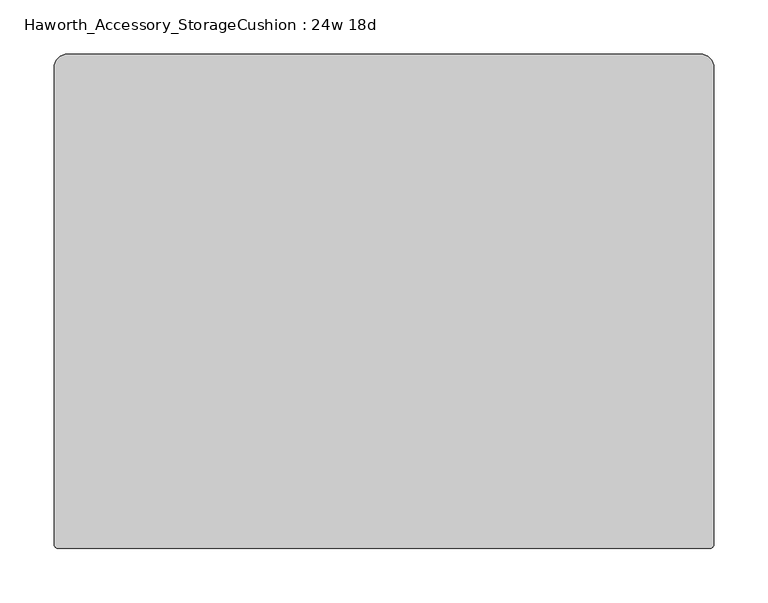
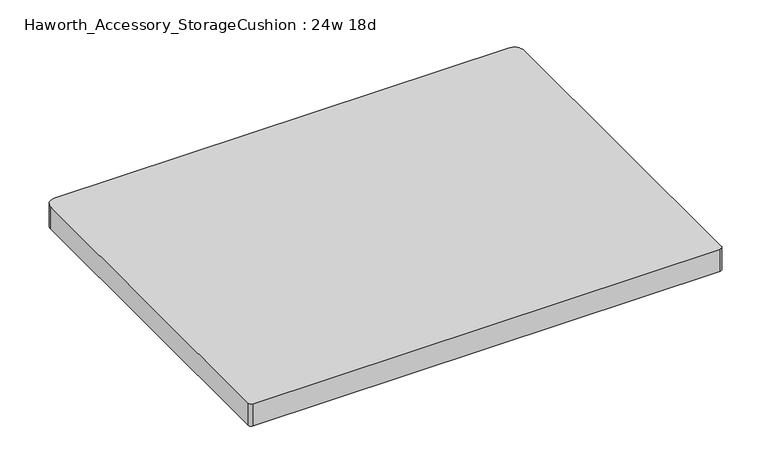
"""IFC4 building model written with IfcOpenShell, lengths in millimetres: furniture geometry, Haworth_Accessory_StorageCushion : 24w 18d."""

from ifc_helpers import new_model, si_unit, point, frame, frame_2d, origin, place, context, project, spatial, polyline, circle_curve, trimmed, segment, composite_curve, outline, extrude, source, transform, mapped, element, save


def haworth_accessory_storagecushion_24w_18d_868b095d(model_context):
    return source(origin(), model_context, "Body", "SweptSolid", [
        extrude(outline(composite_curve([segment(trimmed(circle_curve(frame_2d((292.1, 215.9)), 12.7), [point((292.1, 228.6))], [point((304.8, 215.9))], False, "CARTESIAN"), True, "CONTINUOUS"), segment(polyline([(304.8, 215.9), (304.8, -224.360019)]), True, "CONTINUOUS"), segment(trimmed(circle_curve(frame_2d((300.560019, -224.360019)), 4.239981), [point((304.8, -224.360019))], [point((300.560019, -228.6))], False, "CARTESIAN"), True, "CONTINUOUS"), segment(polyline([(300.560019, -228.6), (-300.560019, -228.6)]), True, "CONTINUOUS"), segment(trimmed(circle_curve(frame_2d((-300.560019, -224.360019)), 4.239981), [point((-300.560019, -228.6))], [point((-304.8, -224.360019))], False, "CARTESIAN"), True, "CONTINUOUS"), segment(polyline([(-304.8, -224.360019), (-304.8, 215.9)]), True, "CONTINUOUS"), segment(trimmed(circle_curve(frame_2d((-292.1, 215.9)), 12.7), [point((-304.8, 215.9))], [point((-292.1, 228.6))], False, "CARTESIAN"), True, "CONTINUOUS"), segment(polyline([(-292.1, 228.6), (292.1, 228.6)]), True, "CONTINUOUS")], self_intersect=False)), frame((0.0, 0.0, 584.2), z_axis=(0.0, 0.0, 1.0), x_axis=(1.0, 0.0, 0.0)), (0.0, 0.0, 1.0), 30.1625),
    ])


if __name__ == "__main__":
    model = new_model("IFC4")
    model_context = context("Model", 3, world=origin())
    ifc_project = project(units=[si_unit("LENGTHUNIT", "METRE", prefix="MILLI")], contexts=[model_context])
    site = spatial("IfcSite", under=ifc_project)
    building = spatial("IfcBuilding", under=site)
    placement = place(None, origin())
    haworth_accessory_storagecushion_24w_18d_shape = haworth_accessory_storagecushion_24w_18d_868b095d(model_context)
    element("IfcFurniture", 1, ObjectType="Haworth_Accessory_StorageCushion : 24w 18d", at=placement, inside=building, context=model_context, shape_type="MappedRepresentation", body=[
        mapped(haworth_accessory_storagecushion_24w_18d_shape, transform((0.0, 0.0, 0.0), x_axis=(1.0, 0.0, 0.0), y_axis=(0.0, 1.0, 0.0), z_axis=(0.0, 0.0, 1.0))),
    ])
    save(model, "model.ifc")
